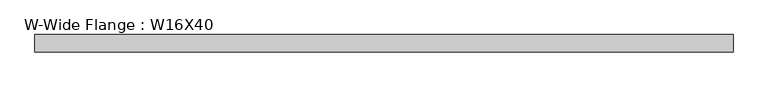
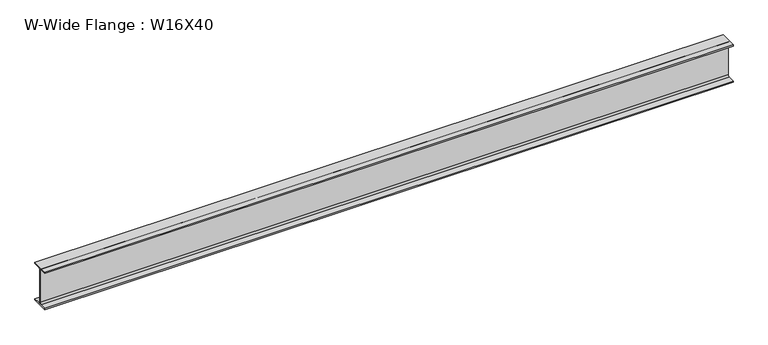
"""IFC4 building model written with IfcOpenShell, lengths in millimetres: beam geometry, W-Wide Flange : W16X40."""

from ifc_helpers import new_model, si_unit, point, frame, frame_2d, origin, place, context, project, spatial, polyline, circle_curve, trimmed, segment, composite_curve, outline, extrude, source, transform, mapped, element, save


def w_wide_flange_w16x40_1c5bbcc9(model_context):
    return source(origin(), model_context, "Body", "SweptSolid", [
        extrude(outline(composite_curve([segment(polyline([(-88.9, -190.4), (-21.25, -190.4)]), True, "CONTINUOUS"), segment(trimmed(circle_curve(frame_2d((-21.25, -173.0)), 17.4), [point((-21.25, -190.4))], [point((-3.85, -173.0))], True, "CARTESIAN"), True, "CONTINUOUS"), segment(polyline([(-3.85, -173.0), (-3.85, 173.0)]), True, "CONTINUOUS"), segment(trimmed(circle_curve(frame_2d((-21.25, 173.0)), 17.4), [point((-3.85, 173.0))], [point((-21.25, 190.4))], True, "CARTESIAN"), True, "CONTINUOUS"), segment(polyline([(-21.25, 190.4), (-88.9, 190.4), (-88.9, 203.2), (88.9, 203.2), (88.9, 190.4), (21.25, 190.4)]), True, "CONTINUOUS"), segment(trimmed(circle_curve(frame_2d((21.25, 173.0)), 17.4), [point((21.25, 190.4))], [point((3.85, 173.0))], True, "CARTESIAN"), True, "CONTINUOUS"), segment(polyline([(3.85, 173.0), (3.85, -173.0)]), True, "CONTINUOUS"), segment(trimmed(circle_curve(frame_2d((21.25, -173.0)), 17.4), [point((3.85, -173.0))], [point((21.25, -190.4))], True, "CARTESIAN"), True, "CONTINUOUS"), segment(polyline([(21.25, -190.4), (88.9, -190.4), (88.9, -203.2), (-88.9, -203.2), (-88.9, -190.4)]), True, "CONTINUOUS")], self_intersect=False)), frame((-1540.4492575, 0.0, 0.0), z_axis=(1.0, 0.0, 0.0), x_axis=(0.0, 1.0, 0.0)), (0.0, 0.0, 1.0), 7071.3465525),
    ])


if __name__ == "__main__":
    model = new_model("IFC4")
    model_context = context("Model", 3, world=origin())
    ifc_project = project(units=[si_unit("LENGTHUNIT", "METRE", prefix="MILLI")], contexts=[model_context])
    site = spatial("IfcSite", under=ifc_project)
    building = spatial("IfcBuilding", under=site)
    placement = place(None, origin())
    w_wide_flange_w16x40_shape = w_wide_flange_w16x40_1c5bbcc9(model_context)
    element("IfcBeam", 1, ObjectType="W-Wide Flange : W16X40", at=placement, inside=building, context=model_context, shape_type="MappedRepresentation", body=[
        mapped(w_wide_flange_w16x40_shape, transform((0.0, 0.0, 0.0), x_axis=(1.0, 0.0, 0.0), y_axis=(0.0, 1.0, 0.0), z_axis=(0.0, 0.0, 1.0))),
    ])
    save(model, "model.ifc")
